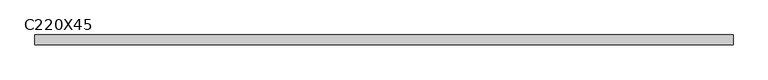
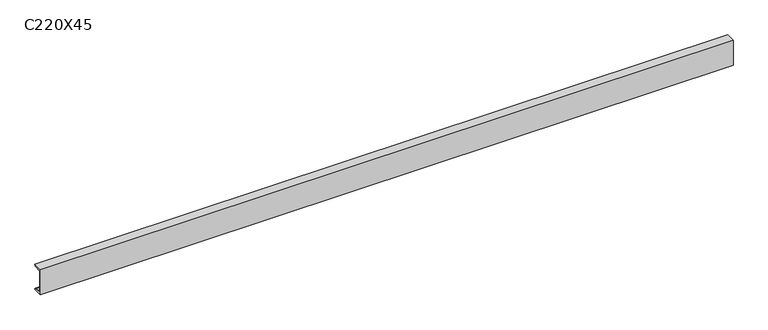
"""IFC4 building model written with IfcOpenShell, lengths in millimetres: beam geometry, C220X45."""

from ifc_helpers import new_model, si_unit, point, frame, frame_2d, origin, place, context, project, spatial, polyline, circle_curve, trimmed, segment, composite_curve, outline, extrude, source, transform, mapped, element, save


def c220x45_26ea4bdd(model_context):
    return source(origin(), model_context, "Body", "SweptSolid", [
        extrude(outline(composite_curve([segment(polyline([(-17.0, 110.0), (64.0, 110.0)]), True, "CONTINUOUS"), segment(trimmed(circle_curve(frame_2d((51.0, 110.0)), 13.0), [point((64.0, 110.0))], [point((51.0, 97.0))], False, "CARTESIAN"), True, "CONTINUOUS"), segment(polyline([(51.0, 97.0), (-4.0, 88.2888558), (-4.0, -88.2888558), (51.0, -97.0)]), True, "CONTINUOUS"), segment(trimmed(circle_curve(frame_2d((51.0, -110.0)), 13.0), [point((51.0, -97.0))], [point((64.0, -110.0))], False, "CARTESIAN"), True, "CONTINUOUS"), segment(polyline([(64.0, -110.0), (-17.0, -110.0), (-17.0, 110.0)]), True, "CONTINUOUS")], self_intersect=False)), frame((-2930.2372684, 0.0, 0.0), z_axis=(1.0, 0.0, 0.0), x_axis=(0.0, 1.0, 0.0)), (0.0, 0.0, 1.0), 5793.2372684),
    ])


if __name__ == "__main__":
    model = new_model("IFC4")
    model_context = context("Model", 3, world=origin())
    ifc_project = project(units=[si_unit("LENGTHUNIT", "METRE", prefix="MILLI")], contexts=[model_context])
    site = spatial("IfcSite", under=ifc_project)
    building = spatial("IfcBuilding", under=site)
    placement = place(None, origin())
    c220x45_shape = c220x45_26ea4bdd(model_context)
    element("IfcBeam", 1, ObjectType="C220X45", at=placement, inside=building, context=model_context, shape_type="MappedRepresentation", body=[
        mapped(c220x45_shape, transform((0.0, 0.0, 0.0), x_axis=(1.0, 0.0, 0.0), y_axis=(0.0, 1.0, 0.0), z_axis=(0.0, 0.0, 1.0))),
    ])
    save(model, "model.ifc")
